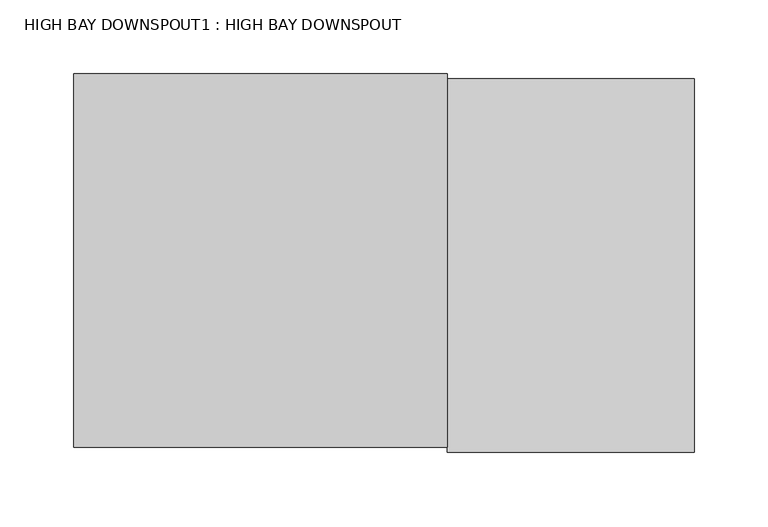
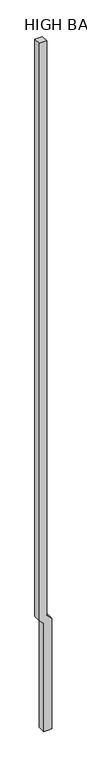
"""IFC4 building model written with IfcOpenShell, lengths in millimetres: proxy geometry, HIGH BAY DOWNSPOUT1 : HIGH BAY DOWNSPOUT."""

from ifc_helpers import new_model, si_unit, frame, origin, place, context, project, spatial, polyline, outline, extrude, source, transform, mapped, element, save


def high_bay_downspout1_high_bay_downspout_9265ecfb(model_context):
    return source(origin(), model_context, "Body", "SweptSolid", [
        extrude(outline(polyline([(3810.0, 448356.4273809), (3657.6, 448508.8273809), (-203.2, 448508.8273809), (-203.2, 448778.7023809), (3746.9352448, 448778.7023809), (3915.2102448, 448610.4273809), (24405.8137487, 448610.4273809), (24405.8137487, 448356.4273809), (3810.0, 448356.4273809)])), frame((0.0, -34269.2867692, 0.0), z_axis=(0.0, 1.0, 0.0), x_axis=(0.0, 0.0, 1.0)), (0.0, 0.0, 1.0), 254.0),
    ])


if __name__ == "__main__":
    model = new_model("IFC4")
    model_context = context("Model", 3, world=origin())
    ifc_project = project(units=[si_unit("LENGTHUNIT", "METRE", prefix="MILLI")], contexts=[model_context])
    site = spatial("IfcSite", under=ifc_project)
    building = spatial("IfcBuilding", under=site)
    placement = place(None, origin())
    high_bay_downspout1_high_bay_downspout_shape = high_bay_downspout1_high_bay_downspout_9265ecfb(model_context)
    element("IfcBuildingElementProxy", 1, Name="HIGH BAY DOWNSPOUT1 : HIGH BAY DOWNSPOUT", ObjectType="HIGH BAY DOWNSPOUT1 : HIGH BAY DOWNSPOUT", at=placement, inside=building, context=model_context, shape_type="MappedRepresentation", body=[
        mapped(high_bay_downspout1_high_bay_downspout_shape, transform((0.0, 0.0, 0.0), x_axis=(1.0, 0.0, 0.0), y_axis=(0.0, 1.0, 0.0), z_axis=(0.0, 0.0, 1.0))),
    ])
    save(model, "model.ifc")
